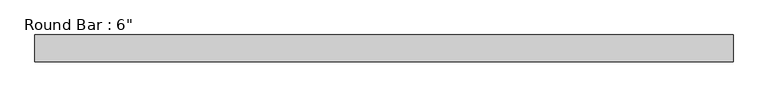
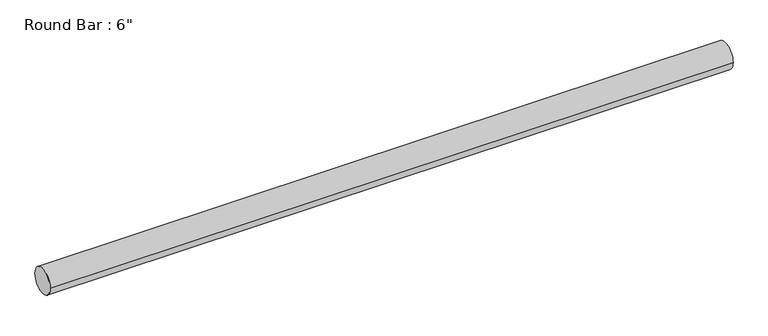
"""IFC4 building model written with IfcOpenShell, lengths in millimetres: beam geometry."""

from ifc_helpers import new_model, si_unit, point, frame, origin, origin_2d, place, context, project, spatial, circle_curve, trimmed, segment, composite_curve, outline, extrude, source, transform, mapped, element, save


def beam_2549322e(model_context):
    return source(origin(), model_context, "Body", "SweptSolid", [
        extrude(outline(composite_curve([segment(trimmed(circle_curve(origin_2d(), 76.2), [point((76.2, 0.0))], [point((-76.2, 0.0))], False, "CARTESIAN"), True, "CONTINUOUS"), segment(trimmed(circle_curve(origin_2d(), 76.2), [point((-76.2, 0.0))], [point((76.2, 0.0))], False, "CARTESIAN"), True, "CONTINUOUS")], self_intersect=False)), frame((-1979.8176415, 0.0, 0.0), z_axis=(1.0, 0.0, 0.0), x_axis=(0.0, 1.0, 0.0)), (0.0, 0.0, 1.0), 3930.2222306),
    ])


if __name__ == "__main__":
    model = new_model("IFC4")
    model_context = context("Model", 3, world=origin())
    ifc_project = project(units=[si_unit("LENGTHUNIT", "METRE", prefix="MILLI")], contexts=[model_context])
    site = spatial("IfcSite", under=ifc_project)
    building = spatial("IfcBuilding", under=site)
    placement = place(None, origin())
    beam_shape = beam_2549322e(model_context)
    element("IfcBeam", 1, ObjectType="Round Bar : 6\"", at=placement, inside=building, context=model_context, shape_type="MappedRepresentation", body=[
        mapped(beam_shape, transform((0.0, 0.0, 0.0), x_axis=(1.0, 0.0, 0.0), y_axis=(0.0, 1.0, 0.0), z_axis=(0.0, 0.0, 1.0))),
    ])
    save(model, "model.ifc")
